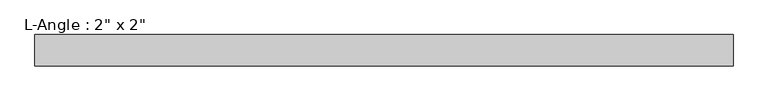
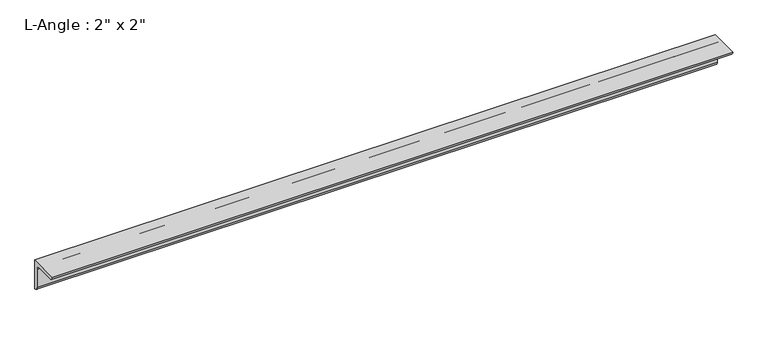
"""IFC4 building model written with IfcOpenShell, lengths in millimetres: beam geometry."""

from ifc_helpers import new_model, si_unit, point, frame, frame_2d, origin, place, context, project, spatial, polyline, circle_curve, trimmed, segment, composite_curve, outline, extrude, source, transform, mapped, element, save


def beam_a310ab13(model_context):
    return source(origin(), model_context, "Body", "SweptSolid", [
        extrude(outline(composite_curve([segment(polyline([(0.0, 0.0), (0.0, -50.8)]), True, "CONTINUOUS"), segment(trimmed(circle_curve(frame_2d((0.0, -44.45)), 6.35), [point((0.0, -50.8))], [point((-6.35, -44.45))], False, "CARTESIAN"), True, "CONTINUOUS"), segment(polyline([(-6.35, -44.45), (-6.35, -12.7)]), True, "CONTINUOUS"), segment(trimmed(circle_curve(frame_2d((-12.7, -12.7)), 6.35), [point((-6.35, -12.7))], [point((-12.7, -6.35))], True, "CARTESIAN"), True, "CONTINUOUS"), segment(polyline([(-12.7, -6.35), (-44.45, -6.35)]), True, "CONTINUOUS"), segment(trimmed(circle_curve(frame_2d((-44.45, 0.0)), 6.35), [point((-44.45, -6.35))], [point((-50.8, 0.0))], False, "CARTESIAN"), True, "CONTINUOUS"), segment(polyline([(-50.8, 0.0), (0.0, 0.0)]), True, "CONTINUOUS")], self_intersect=False)), frame((-568.6115316, 0.0, 0.0), z_axis=(1.0, 0.0, 0.0), x_axis=(0.0, 1.0, 0.0)), (0.0, 0.0, 1.0), 1137.2230632),
    ])


if __name__ == "__main__":
    model = new_model("IFC4")
    model_context = context("Model", 3, world=origin())
    ifc_project = project(units=[si_unit("LENGTHUNIT", "METRE", prefix="MILLI")], contexts=[model_context])
    site = spatial("IfcSite", under=ifc_project)
    building = spatial("IfcBuilding", under=site)
    placement = place(None, origin())
    beam_shape = beam_a310ab13(model_context)
    element("IfcBeam", 1, ObjectType="L-Angle : 2\" x 2\"", at=placement, inside=building, context=model_context, shape_type="MappedRepresentation", body=[
        mapped(beam_shape, transform((0.0, 0.0, 0.0), x_axis=(1.0, 0.0, 0.0), y_axis=(0.0, 1.0, 0.0), z_axis=(0.0, 0.0, 1.0))),
    ])
    save(model, "model.ifc")
